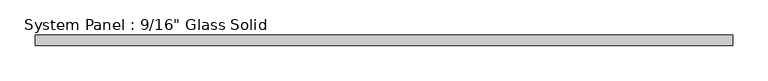
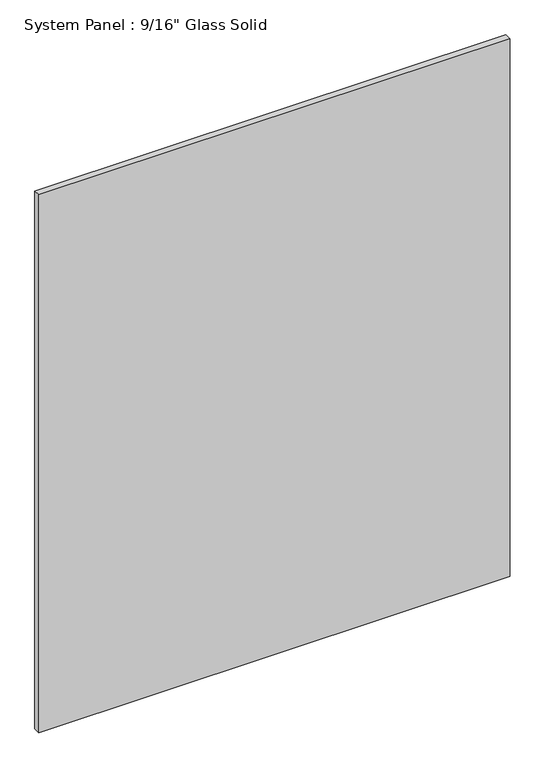
"""IFC4 building model written with IfcOpenShell, lengths in millimetres: plate geometry."""

from ifc_helpers import new_model, si_unit, origin, origin_with_axes, place, context, project, spatial, polyline, outline, extrude, source, transform, mapped, element, save


def plate_c060151d(model_context):
    return source(origin(), model_context, "Body", "SweptSolid", [
        extrude(outline(polyline([(492.1258852, -7.14375), (-492.1258852, -7.14375), (-492.1258852, 7.14375), (492.1258852, 7.14375), (492.1258852, -7.14375)])), origin_with_axes(), (0.0, 0.0, 1.0), 1187.4517704),
    ])


if __name__ == "__main__":
    model = new_model("IFC4")
    model_context = context("Model", 3, world=origin())
    ifc_project = project(units=[si_unit("LENGTHUNIT", "METRE", prefix="MILLI")], contexts=[model_context])
    site = spatial("IfcSite", under=ifc_project)
    building = spatial("IfcBuilding", under=site)
    placement = place(None, origin())
    plate_shape = plate_c060151d(model_context)
    element("IfcPlate", 1, ObjectType="System Panel : 9/16\" Glass Solid", at=placement, inside=building, context=model_context, shape_type="MappedRepresentation", body=[
        mapped(plate_shape, transform((0.0, 0.0, 0.0), x_axis=(1.0, 0.0, 0.0), y_axis=(0.0, 1.0, 0.0), z_axis=(0.0, 0.0, 1.0))),
    ])
    save(model, "model.ifc")
